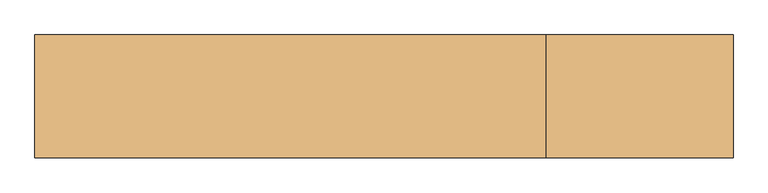
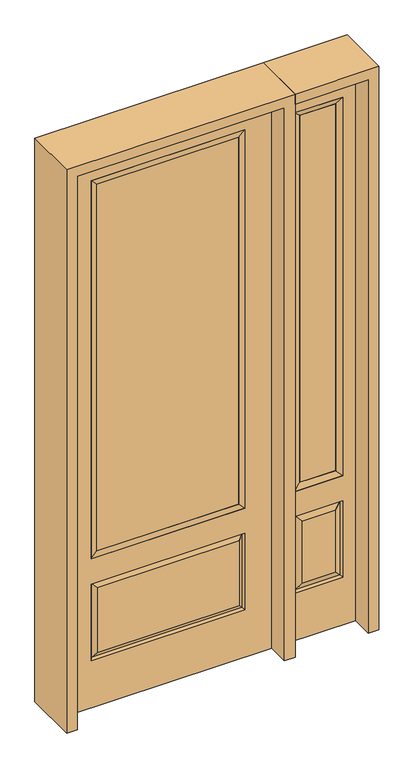
"""IFC4 building model written with IfcOpenShell, lengths in millimetres: door geometry."""

from ifc_helpers import new_model, si_unit, frame, origin, place, context, project, spatial, polyline, outline, extrude, faceted_brep, source, transform, mapped, element, save


def door_08ad1d06(model_context):
    return source(origin(), model_context, "Body", "SolidModel", [
        faceted_brep([(476.25, -22.225, 0.0), (781.05, -22.225, 0.0), (781.05, -22.225, 2438.4), (476.25, -22.225, 2438.4), (728.98, -22.225, 2325.624), (728.98, -22.225, 657.098), (528.32, -22.225, 657.098), (528.32, -22.225, 2325.624), (728.98, -22.225, 209.55), (528.32, -22.225, 209.55), (528.32, -22.225, 546.1), (728.98, -22.225, 546.1), (560.0351001, -22.225, 241.2651001), (697.2648999, -22.225, 241.2651001), (697.2648999, -22.225, 514.3848999), (560.0351001, -22.225, 514.3848999), (476.25, 22.225, 0.0), (476.25, 22.225, 2438.4), (781.05, 22.225, 2438.4), (781.05, 22.225, 0.0), (728.98, 22.225, 2325.624), (528.32, 22.225, 2325.624), (528.32, 22.225, 657.098), (728.98, 22.225, 657.098), (528.32, 22.225, 209.55), (728.98, 22.225, 209.55), (728.98, 22.225, 546.1), (528.32, 22.225, 546.1), (697.2648999, 22.225, 241.2651001), (560.0351001, 22.225, 241.2651001), (560.0351001, 22.225, 514.3848999), (697.2648999, 22.225, 514.3848999), (721.8711499, 12.7912373, 216.6588501), (535.4288501, 12.7912373, 216.6588501), (535.4288501, 12.7912373, 538.9911499), (721.8711499, 12.7912373, 538.9911499), (535.4288501, -12.7912373, 216.6588501), (721.8711499, -12.7912373, 216.6588501), (535.4288501, -12.7912373, 538.9911499), (721.8711499, -12.7912373, 538.9911499)], [[[0, 1, 2, 3], [4, 5, 6, 7], [8, 9, 10, 11]], [[12, 13, 14, 15]], [[16, 17, 18, 19], [20, 21, 22, 23], [24, 25, 26, 27]], [[28, 29, 30, 31]], [[1, 0, 16, 19]], [[2, 1, 19, 18]], [[3, 2, 18, 17]], [[0, 3, 17, 16]], [[5, 4, 20, 23]], [[6, 5, 23, 22]], [[7, 6, 22, 21]], [[4, 7, 21, 20]], [[32, 33, 29, 28]], [[33, 32, 25, 24]], [[29, 33, 34, 30]], [[33, 24, 27, 34]], [[30, 34, 35, 31]], [[34, 27, 26, 35]], [[32, 28, 31, 35]], [[25, 32, 35, 26]], [[12, 36, 37, 13]], [[37, 36, 9, 8]], [[36, 12, 15, 38]], [[9, 36, 38, 10]], [[38, 15, 14, 39]], [[10, 38, 39, 11]], [[13, 37, 39, 14]], [[37, 8, 11, 39]]]),
        faceted_brep([(528.32, 22.225, 2325.624), (528.32, -22.225, 2325.624), (728.98, -22.225, 2325.624), (728.98, 22.225, 2325.624), (553.72, 12.7, 2300.224), (703.58, 12.7, 2300.224), (553.72, -12.7, 2300.224), (703.58, -12.7, 2300.224), (728.98, -22.225, 657.098), (728.98, 22.225, 657.098), (703.58, 12.7, 682.498), (703.58, -12.7, 682.498), (528.32, -22.225, 657.098), (528.32, 22.225, 657.098), (553.72, 12.7, 682.498), (553.72, -12.7, 682.498)], [[[0, 1, 2, 3]], [[4, 0, 3, 5]], [[6, 4, 5, 7]], [[1, 6, 7, 2]], [[3, 2, 8, 9]], [[5, 3, 9, 10]], [[7, 5, 10, 11]], [[2, 7, 11, 8]], [[9, 8, 12, 13]], [[10, 9, 13, 14]], [[11, 10, 14, 15]], [[8, 11, 15, 12]], [[13, 12, 1, 0]], [[14, 13, 0, 4]], [[15, 14, 4, 6]], [[12, 15, 6, 1]]]),
        extrude(outline(polyline([(703.58, -12.7), (553.72, -12.7), (553.72, 12.7), (703.58, 12.7), (703.58, -12.7)])), frame((0.0, 0.0, 682.498), z_axis=(0.0, 0.0, 1.0), x_axis=(1.0, 0.0, 0.0)), (0.0, 0.0, 1.0), 1617.726),
        extrude(outline(polyline([(295.275, -20.32), (-295.275, -20.32), (-295.275, 5.08), (295.275, 5.08), (295.275, -20.32)])), frame((0.0, 0.0, 682.498), z_axis=(0.0, 0.0, 1.0), x_axis=(1.0, 0.0, 0.0)), (0.0, 0.0, 1.0), 1616.202),
        faceted_brep([(-313.5661499, -12.7912373, 216.6588501), (313.5661499, -12.7912373, 216.6588501), (296.06875, -22.225, 234.15625), (-296.06875, -22.225, 234.15625), (-320.675, -22.225, 209.55), (320.675, -22.225, 209.55), (-313.5661499, -12.7912373, 538.9911499), (-320.675, -22.225, 546.1), (296.06875, -22.225, 521.49375), (-296.06875, -22.225, 521.49375), (431.8, -22.225, 2438.4), (-431.8, -22.225, 2438.4), (-431.8, -22.225, 0.0), (431.8, -22.225, 0.0), (320.675, -22.225, 546.1), (320.675, -22.225, 2324.1), (320.675, -22.225, 657.098), (-320.675, -22.225, 657.098), (-320.675, -22.225, 2324.1), (313.5661499, -12.7912373, 538.9911499), (-431.8, 22.225, 2438.4), (-431.8, 22.225, 0.0), (431.8, 22.225, 0.0), (431.8, 22.225, 2438.4), (320.675, 22.225, 2324.1), (320.675, 22.225, 657.098), (-320.675, 22.225, 657.098), (-320.675, 22.225, 2324.1), (-320.675, 22.225, 209.55), (320.675, 22.225, 209.55), (320.675, 22.225, 546.1), (-320.675, 22.225, 546.1), (296.06875, 22.225, 234.15625), (-296.06875, 22.225, 234.15625), (-296.06875, 22.225, 521.49375), (296.06875, 22.225, 521.49375), (-313.5661499, 12.7912373, 216.6588501), (313.5661499, 12.7912373, 216.6588501), (313.5661499, 12.7912373, 538.9911499), (-313.5661499, 12.7912373, 538.9911499)], [[[0, 1, 2, 3]], [[1, 0, 4, 5]], [[4, 0, 6, 7]], [[3, 2, 8, 9]], [[10, 11, 12, 13], [5, 4, 7, 14], [15, 16, 17, 18]], [[1, 5, 14, 19]], [[2, 1, 19, 8]], [[0, 3, 9, 6]], [[7, 6, 19, 14]], [[6, 9, 8, 19]], [[12, 11, 20, 21]], [[13, 12, 21, 22]], [[10, 13, 22, 23]], [[16, 15, 24, 25]], [[17, 16, 25, 26]], [[18, 17, 26, 27]], [[23, 22, 21, 20], [28, 29, 30, 31], [24, 27, 26, 25]], [[32, 33, 34, 35]], [[28, 36, 37, 29]], [[29, 37, 38, 30]], [[39, 31, 30, 38]], [[36, 28, 31, 39]], [[37, 36, 33, 32]], [[33, 36, 39, 34]], [[34, 39, 38, 35]], [[37, 32, 35, 38]], [[11, 10, 23, 20]], [[15, 18, 27, 24]]]),
        faceted_brep([(-320.675, -22.225, 2324.1), (-320.675, 22.225, 2324.1), (-320.675, 22.225, 657.098), (-320.675, -22.225, 657.098), (320.675, 22.225, 657.098), (320.675, -22.225, 657.098), (-295.275, 5.08, 682.498), (295.275, 5.08, 682.498), (320.675, 22.225, 2324.1), (320.675, -22.225, 2324.1), (-295.275, -20.32, 682.498), (295.275, -20.32, 682.498), (-295.275, -20.32, 2298.7), (295.275, -20.32, 2298.7), (-295.275, 5.08, 2298.7), (295.275, 5.08, 2298.7)], [[[0, 1, 2, 3]], [[3, 2, 4, 5]], [[2, 6, 7, 4]], [[5, 4, 8, 9]], [[10, 3, 5, 11]], [[12, 0, 3, 10]], [[11, 5, 9, 13]], [[6, 10, 11, 7]], [[14, 12, 10, 6]], [[7, 11, 13, 15]], [[1, 14, 6, 2]], [[4, 7, 15, 8]], [[9, 8, 1, 0]], [[13, 9, 0, 12]], [[15, 13, 12, 14]], [[8, 15, 14, 1]]]),
        extrude(outline(polyline([(2482.85, -476.25), (0.0, -476.25), (0.0, -431.8), (2438.4, -431.8), (2438.4, 431.8), (0.0, 431.8), (0.0, 476.25), (2482.85, 476.25), (2482.85, -476.25)])), frame((0.0, -114.3, 0.0), z_axis=(0.0, 1.0, 0.0), x_axis=(0.0, 0.0, 1.0)), (0.0, 0.0, 1.0), 228.6),
        extrude(outline(polyline([(0.0, 781.05), (0.0, 825.5), (2482.85, 825.5), (2482.85, 476.25), (2438.4, 476.25), (2438.4, 781.05), (0.0, 781.05)])), frame((0.0, -114.3, 0.0), z_axis=(0.0, 1.0, 0.0), x_axis=(0.0, 0.0, 1.0)), (0.0, 0.0, 1.0), 228.6),
    ])


if __name__ == "__main__":
    model = new_model("IFC4")
    model_context = context("Model", 3, world=origin())
    ifc_project = project(units=[si_unit("LENGTHUNIT", "METRE", prefix="MILLI")], contexts=[model_context])
    site = spatial("IfcSite", under=ifc_project)
    building = spatial("IfcBuilding", under=site)
    placement = place(None, origin())
    door_shape = door_08ad1d06(model_context)
    element("IfcDoor", 1, at=placement, inside=building, context=model_context, shape_type="MappedRepresentation", body=[
        mapped(door_shape, transform((0.0, 0.0, 0.0), x_axis=(1.0, 0.0, 0.0), y_axis=(0.0, 1.0, 0.0), z_axis=(0.0, 0.0, 1.0))),
    ])
    save(model, "model.ifc")
